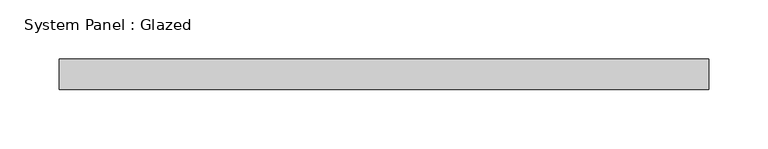
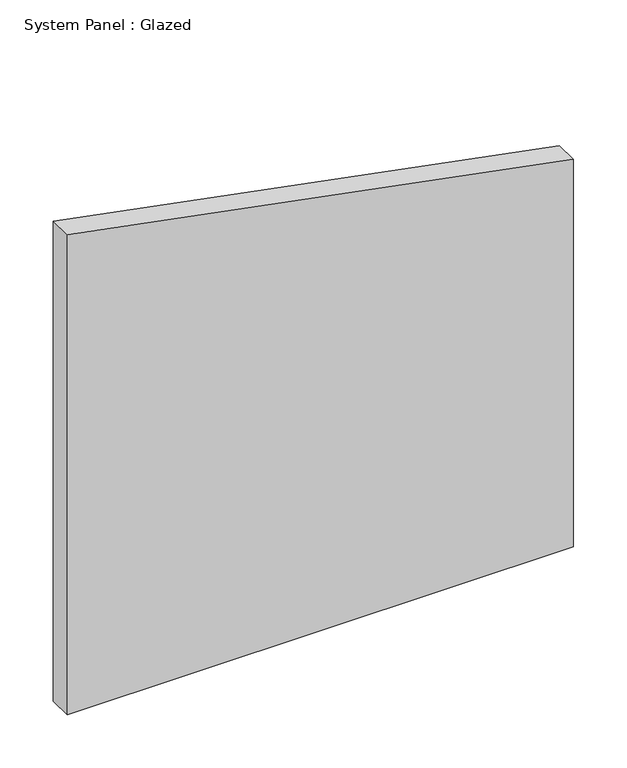
"""IFC4 building model written with IfcOpenShell, lengths in millimetres: plate geometry, System Panel : Glazed."""

from ifc_helpers import new_model, si_unit, frame, origin, place, context, project, spatial, polyline, outline, extrude, source, transform, mapped, element, save


def system_panel_glazed_515b29da(model_context):
    return source(origin(), model_context, "Body", "SweptSolid", [
        extrude(outline(polyline([(0.0, -273.05), (0.0, 273.05), (442.224744, 273.05), (547.7010652, -273.05), (0.0, -273.05)])), frame((0.0, 19.05, 0.0), z_axis=(0.0, 1.0, 0.0), x_axis=(0.0, 0.0, 1.0)), (0.0, 0.0, 1.0), 25.4),
    ])


if __name__ == "__main__":
    model = new_model("IFC4")
    model_context = context("Model", 3, world=origin())
    ifc_project = project(units=[si_unit("LENGTHUNIT", "METRE", prefix="MILLI")], contexts=[model_context])
    site = spatial("IfcSite", under=ifc_project)
    building = spatial("IfcBuilding", under=site)
    placement = place(None, origin())
    system_panel_glazed_shape = system_panel_glazed_515b29da(model_context)
    element("IfcPlate", 1, ObjectType="System Panel : Glazed", at=placement, inside=building, context=model_context, shape_type="MappedRepresentation", body=[
        mapped(system_panel_glazed_shape, transform((0.0, 0.0, 0.0), x_axis=(1.0, 0.0, 0.0), y_axis=(0.0, 1.0, 0.0), z_axis=(0.0, 0.0, 1.0))),
    ])
    save(model, "model.ifc")
